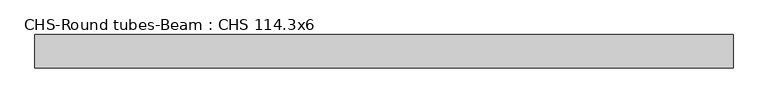
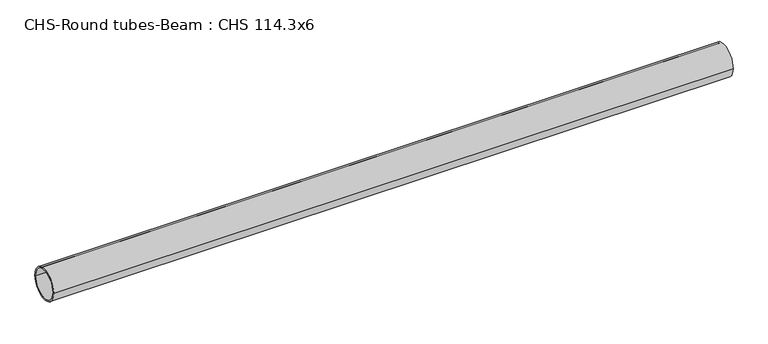
"""IFC4 building model written with IfcOpenShell, lengths in millimetres: beam geometry, CHS-Round tubes-Beam : CHS 114.3x6."""

from ifc_helpers import new_model, si_unit, point, frame, origin, origin_2d, place, context, project, spatial, circle_curve, trimmed, segment, composite_curve, outline, extrude, source, transform, mapped, element, save


def chs_round_tubes_beam_chs_114_3x6_35fb4e60(model_context):
    return source(origin(), model_context, "Body", "SweptSolid", [
        extrude(outline(composite_curve([segment(trimmed(circle_curve(origin_2d(), 57.15), [point((57.15, 0.0))], [point((-57.15, 0.0))], False, "CARTESIAN"), True, "CONTINUOUS"), segment(trimmed(circle_curve(origin_2d(), 57.15), [point((-57.15, 0.0))], [point((57.15, 0.0))], False, "CARTESIAN"), True, "CONTINUOUS")], self_intersect=False), holes=[composite_curve([segment(trimmed(circle_curve(origin_2d(), 51.15), [point((51.15, 0.0))], [point((-51.15, 0.0))], True, "CARTESIAN"), True, "CONTINUOUS"), segment(trimmed(circle_curve(origin_2d(), 51.15), [point((-51.15, 0.0))], [point((51.15, 0.0))], True, "CARTESIAN"), True, "CONTINUOUS")], self_intersect=False)]), frame((-1158.7151099, 0.0, 0.0), z_axis=(1.0, 0.0, 0.0), x_axis=(0.0, 1.0, 0.0)), (0.0, 0.0, 1.0), 2399.3212345),
    ])


if __name__ == "__main__":
    model = new_model("IFC4")
    model_context = context("Model", 3, world=origin())
    ifc_project = project(units=[si_unit("LENGTHUNIT", "METRE", prefix="MILLI")], contexts=[model_context])
    site = spatial("IfcSite", under=ifc_project)
    building = spatial("IfcBuilding", under=site)
    placement = place(None, origin())
    chs_round_tubes_beam_chs_114_3x6_shape = chs_round_tubes_beam_chs_114_3x6_35fb4e60(model_context)
    element("IfcBeam", 1, ObjectType="CHS-Round tubes-Beam : CHS 114.3x6", at=placement, inside=building, context=model_context, shape_type="MappedRepresentation", body=[
        mapped(chs_round_tubes_beam_chs_114_3x6_shape, transform((0.0, 0.0, 0.0), x_axis=(1.0, 0.0, 0.0), y_axis=(0.0, 1.0, 0.0), z_axis=(0.0, 0.0, 1.0))),
    ])
    save(model, "model.ifc")
